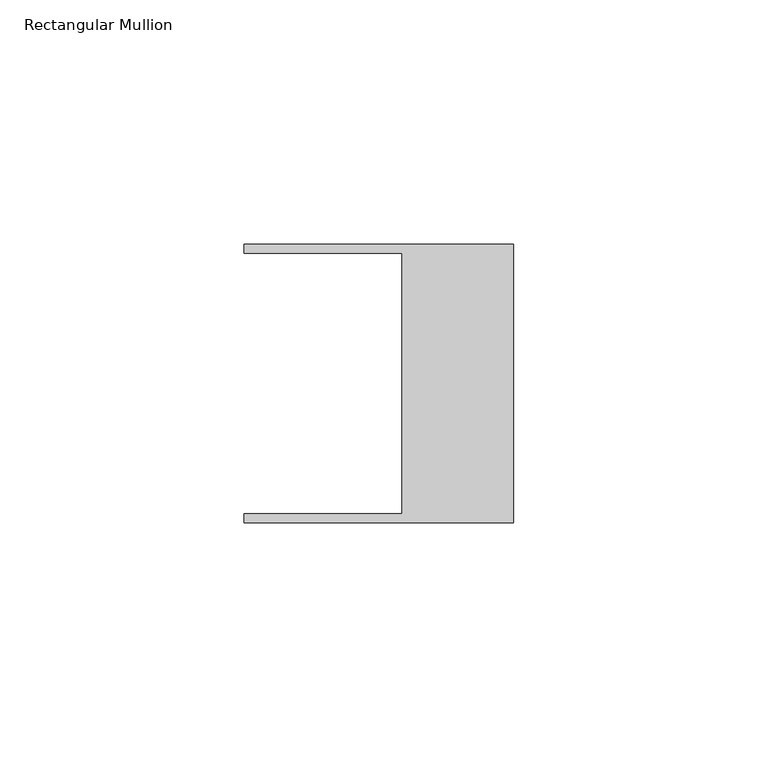
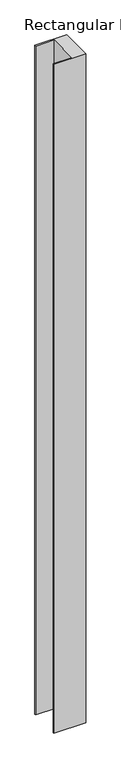
"""IFC4 building model written with IfcOpenShell, lengths in millimetres: member geometry, Rectangular Mullion."""

from ifc_helpers import new_model, si_unit, frame, origin, place, context, project, spatial, polyline, outline, extrude, source, transform, mapped, element, save


def rectangular_mullion_41258919(model_context):
    return source(origin(), model_context, "Body", "SweptSolid", [
        extrude(outline(polyline([(-55.118, 26.67), (-55.118, 28.448), (0.0, 28.448), (0.0, -28.448), (-55.118, -28.448), (-55.118, -26.67), (-22.86, -26.67), (-22.86, 26.67), (-55.118, 26.67)])), frame((0.0, 0.0, -1225.4166754), z_axis=(0.0, 0.0, 1.0), x_axis=(1.0, 0.0, 0.0)), (0.0, 0.0, 1.0), 1225.4166754),
    ])


if __name__ == "__main__":
    model = new_model("IFC4")
    model_context = context("Model", 3, world=origin())
    ifc_project = project(units=[si_unit("LENGTHUNIT", "METRE", prefix="MILLI")], contexts=[model_context])
    site = spatial("IfcSite", under=ifc_project)
    building = spatial("IfcBuilding", under=site)
    placement = place(None, origin())
    rectangular_mullion_shape = rectangular_mullion_41258919(model_context)
    element("IfcMember", 1, ObjectType="Rectangular Mullion", at=placement, inside=building, context=model_context, shape_type="MappedRepresentation", body=[
        mapped(rectangular_mullion_shape, transform((0.0, 0.0, 0.0), x_axis=(1.0, 0.0, 0.0), y_axis=(0.0, 1.0, 0.0), z_axis=(0.0, 0.0, 1.0))),
    ])
    save(model, "model.ifc")
